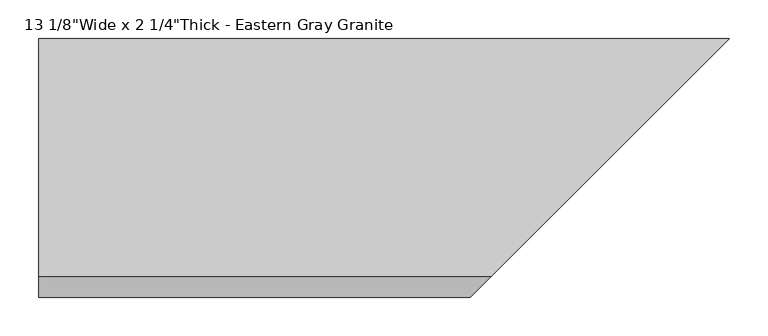
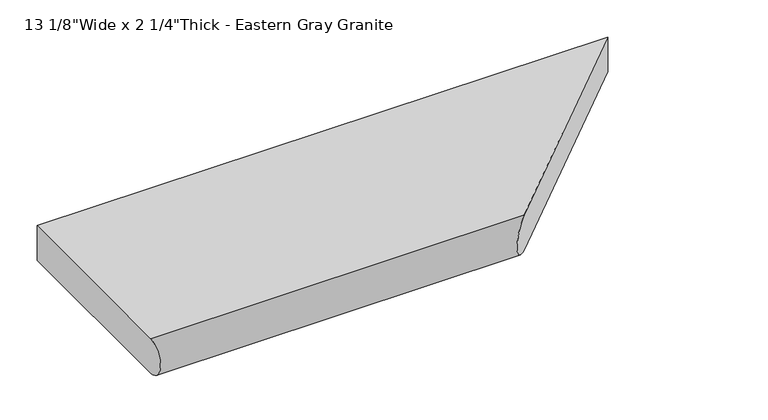
"""IFC4 building model written with IfcOpenShell, lengths in millimetres: proxy geometry."""

from ifc_helpers import new_model, si_unit, frame, origin, place, context, project, spatial, circle_curve, ellipse_curve, source, transform, mapped, element, save
from ifc_brep_helpers import plane_surface, cylinder_surface, advanced_brep


def proxy_35ee81ea(model_context):
    return source(origin(), model_context, "Body", "AdvancedBrep", [
        advanced_brep(
        [(0.0, -307.18125, 0.0), (0.0, -307.18125, 57.15), (0.0, 0.0, 57.15), (0.0, 0.0, 0.0), (582.0147908, -307.18125, 0.0), (582.0147908, -307.18125, 57.15), (889.1960408, 0.0, 57.15), (889.1960408, 0.0, 0.0)],
        [
            (0, 1, circle_curve(frame((0.0, -304.6812614, 28.575), z_axis=(-1.0, 0.0, 0.0), x_axis=(0.0, -1.0, 0.0)), 28.6841519)),
            (1, 2),
            (2, 3),
            (3, 0),
            (0, 4),
            (4, 5, ellipse_curve(frame((584.5147794, -304.6812614, 28.575), z_axis=(-0.7071067811864425, 0.7071067811866526, 0.0), x_axis=(-0.7071067811866525, -0.7071067811864425, 0.0)), 40.5655166, 28.6841519)),
            (5, 1),
            (5, 6),
            (6, 2),
            (6, 7),
            (7, 3),
            (7, 4),
        ],
        [
            plane_surface(frame((0.0, -333.3654133, 28.575), z_axis=(-1.0, 0.0, 0.0), x_axis=(0.0, 0.0, 1.0))),
            cylinder_surface(frame((889.1960408, -304.6812614, 28.575), z_axis=(-1.0, 0.0, 0.0), x_axis=(0.0, -1.0, 0.0)), 28.6841519),
            plane_surface(frame((0.0, -307.18125, 57.15), z_axis=(0.0, 0.0, 1.0), x_axis=(1.0, 0.0, 0.0))),
            plane_surface(frame((0.0, 0.0, 57.15), z_axis=(0.0, 1.0, 0.0), x_axis=(1.0, 0.0, 0.0))),
            plane_surface(frame((0.0, 0.0, 0.0), z_axis=(0.0, 0.0, -1.0), x_axis=(1.0, 0.0, 0.0))),
            plane_surface(frame((889.1960408, 0.0, 76.2), z_axis=(0.7071067811864425, -0.7071067811866526, 0.0), x_axis=(0.0, 0.0, -1.0))),
        ],
        [
            (0, [[1, 2, 3, 4]]),
            (1, [[-1, 5, 6, 7]]),
            (2, [[-2, -7, 8, 9]]),
            (3, [[-3, -9, 10, 11]]),
            (4, [[-4, -11, 12, -5]]),
            (5, [[-6, -12, -10, -8]]),
        ],
    ),
    ])


if __name__ == "__main__":
    model = new_model("IFC4")
    model_context = context("Model", 3, world=origin())
    ifc_project = project(units=[si_unit("LENGTHUNIT", "METRE", prefix="MILLI")], contexts=[model_context])
    site = spatial("IfcSite", under=ifc_project)
    building = spatial("IfcBuilding", under=site)
    placement = place(None, origin())
    proxy_shape = proxy_35ee81ea(model_context)
    element("IfcBuildingElementProxy", 1, Name="13 1/8\"Wide x 2 1/4\"Thick - Eastern Gray Granite", ObjectType="13 1/8\"Wide x 2 1/4\"Thick - Eastern Gray Granite", at=placement, inside=building, context=model_context, shape_type="MappedRepresentation", body=[
        mapped(proxy_shape, transform((0.0, 0.0, 0.0), x_axis=(1.0, 0.0, 0.0), y_axis=(0.0, 1.0, 0.0), z_axis=(0.0, 0.0, 1.0))),
    ])
    save(model, "model.ifc")
